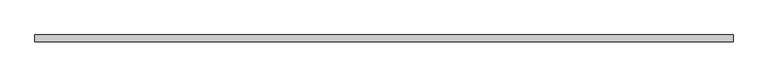
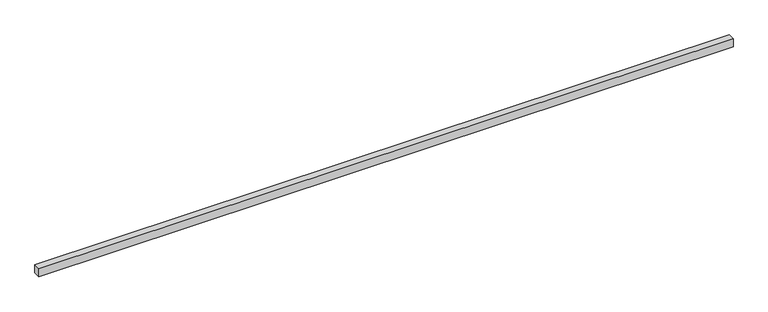
"""IFC4 building model written with IfcOpenShell, lengths in millimetres: proxy geometry."""

from ifc_helpers import new_model, si_unit, frame, origin, place, context, project, spatial, polyline, outline, extrude, source, transform, mapped, element, save


def generic_models_223381b3(model_context):
    return source(origin(), model_context, "Body", "SweptSolid", [
        extrude(outline(polyline([(40.0, 0.0), (-40.0, 0.0), (-40.0, 8080.0), (40.0, 8080.0), (40.0, 0.0)])), frame((8080.0, 0.0, 0.0), z_axis=(0.0, -1.9783474858313244e-12, 1.0), x_axis=(0.0, 1.0, 1.9783474858313244e-12)), (0.0, 0.0, 1.0), 100.0),
    ])


if __name__ == "__main__":
    model = new_model("IFC4")
    model_context = context("Model", 3, world=origin())
    ifc_project = project(units=[si_unit("LENGTHUNIT", "METRE", prefix="MILLI")], contexts=[model_context])
    site = spatial("IfcSite", under=ifc_project)
    building = spatial("IfcBuilding", under=site)
    placement = place(None, origin())
    generic_models_shape = generic_models_223381b3(model_context)
    element("IfcBuildingElementProxy", 1, Name="Generic Models", at=placement, inside=building, context=model_context, shape_type="MappedRepresentation", body=[
        mapped(generic_models_shape, transform((0.0, 0.0, 0.0), x_axis=(1.0, 0.0, 0.0), y_axis=(0.0, 1.0, 0.0), z_axis=(0.0, 0.0, 1.0))),
    ])
    save(model, "model.ifc")
